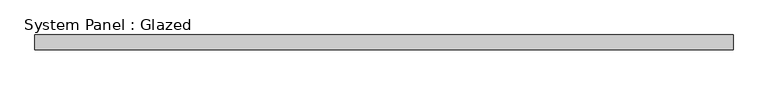
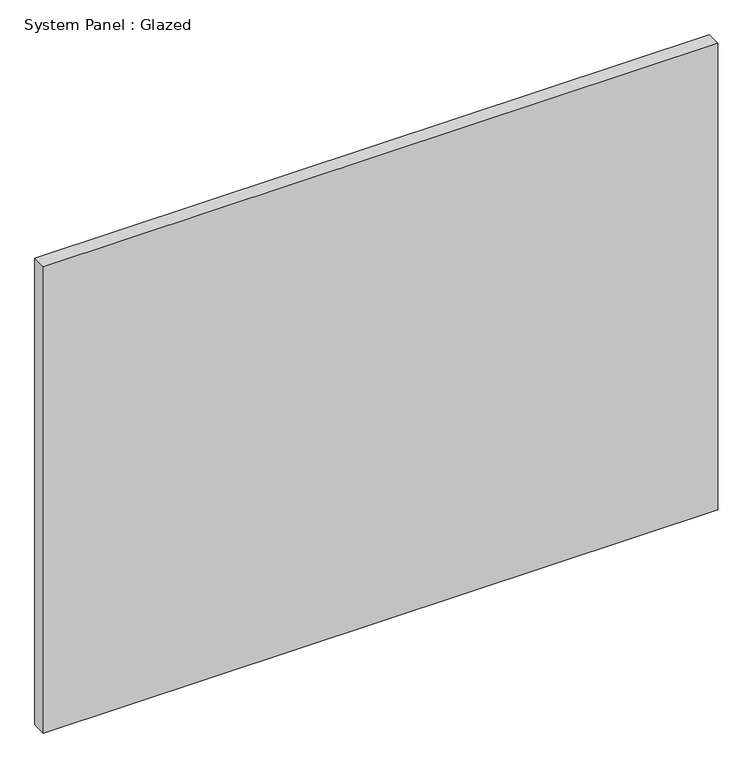
"""IFC4 building model written with IfcOpenShell, lengths in millimetres: plate geometry, System Panel : Glazed."""

from ifc_helpers import new_model, si_unit, origin, origin_with_axes, place, context, project, spatial, polyline, outline, extrude, source, transform, mapped, element, save


def system_panel_glazed_e9ab5d4e(model_context):
    return source(origin(), model_context, "Body", "SweptSolid", [
        extrude(outline(polyline([(590.55, 19.05), (-590.55, 19.05), (-590.55, 44.45), (590.55, 44.45), (590.55, 19.05)])), origin_with_axes(), (0.0, 0.0, 1.0), 863.6),
    ])


if __name__ == "__main__":
    model = new_model("IFC4")
    model_context = context("Model", 3, world=origin())
    ifc_project = project(units=[si_unit("LENGTHUNIT", "METRE", prefix="MILLI")], contexts=[model_context])
    site = spatial("IfcSite", under=ifc_project)
    building = spatial("IfcBuilding", under=site)
    placement = place(None, origin())
    system_panel_glazed_shape = system_panel_glazed_e9ab5d4e(model_context)
    element("IfcPlate", 1, ObjectType="System Panel : Glazed", at=placement, inside=building, context=model_context, shape_type="MappedRepresentation", body=[
        mapped(system_panel_glazed_shape, transform((0.0, 0.0, 0.0), x_axis=(1.0, 0.0, 0.0), y_axis=(0.0, 1.0, 0.0), z_axis=(0.0, 0.0, 1.0))),
    ])
    save(model, "model.ifc")
